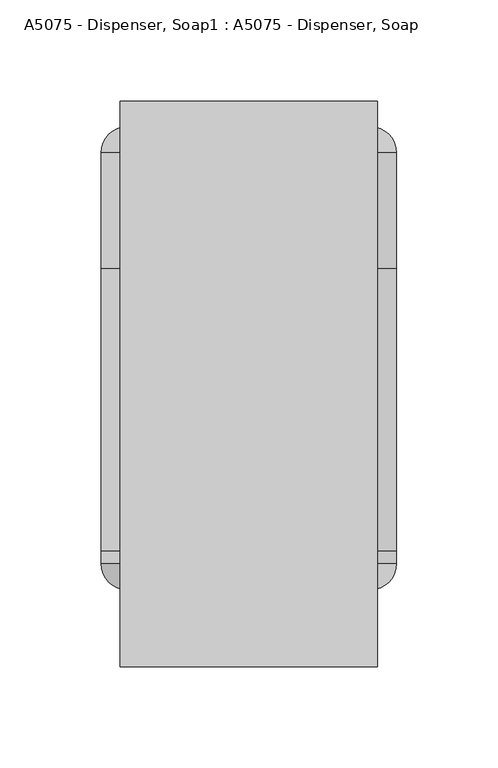
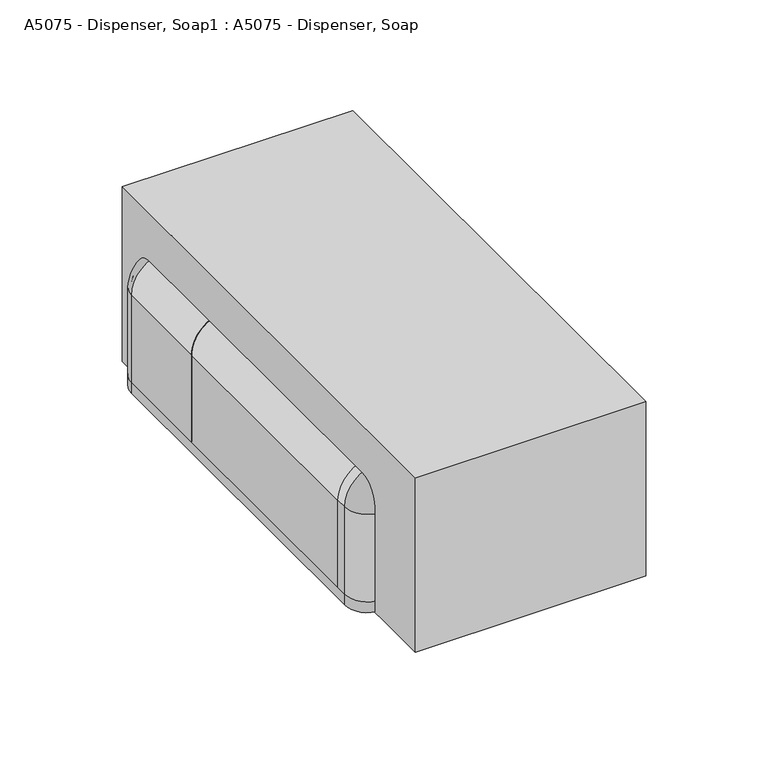
"""IFC4 building model written with IfcOpenShell, lengths in millimetres: proxy geometry, A5075 - Dispenser, Soap1 : A5075 - Dispenser, Soap."""

import ifcopenshell
import ifcopenshell.guid

model = None  # the IFC model being written
_history = None  # IfcOwnerHistory: only IFC2X3 demands one
_inside = {}  # id of a spatial element -> (the spatial element, [elements in it])
_under = {}  # id of a project, library or spatial element -> (it, [spatial elements below it])
_declared = {}  # id of a project -> (the project, [libraries it declares])
_typed = {}  # id of a type object -> (the type object, [elements of that type])
_made_of = {}  # id of a material, layer set ... -> (it, [elements and type objects made of it])


def new_model(schema):
    """Start an empty IFC model of exactly this schema.

    Asked for "IFC4X3", IfcOpenShell would pick the latest addendum, in which some entities
    have other attributes; the version numbers below select the first issue.
    IFC2X3 requires an IfcOwnerHistory on every rooted entity: one is made here for all.
    """
    global model, _history
    if schema == "IFC4X3":
        model = ifcopenshell.file(schema_version=(4, 3, 0, 0))
    else:
        model = ifcopenshell.file(schema=schema)
    _inside.clear()
    _under.clear()
    _declared.clear()
    _typed.clear()
    _made_of.clear()
    _history = None
    if model.schema == "IFC2X3":
        org = make("IfcOrganization", Name="unknown")
        user = make(
            "IfcPersonAndOrganization",
            ThePerson=make("IfcPerson", FamilyName="unknown"),
            TheOrganization=org,
        )
        app = make(
            "IfcApplication",
            ApplicationDeveloper=org,
            Version="unknown",
            ApplicationFullName="unknown",
            ApplicationIdentifier="unknown",
        )
        _history = make(
            "IfcOwnerHistory",
            OwningUser=user,
            OwningApplication=app,
            ChangeAction="ADDED",
            CreationDate=0,
        )
    return model


def make(cls, **values):
    """One entity of the class cls with the attributes given. An attribute that is None is left unset."""
    return model.create_entity(
        cls, **{name: value for name, value in values.items() if value is not None}
    )


def rooted(cls, **values):
    """An entity with a GlobalId (a new one), such as an element, a storey or a relation."""
    return make(cls, GlobalId=ifcopenshell.guid.new(), OwnerHistory=_history, **values)


def si_unit(unit_type, name, prefix=None):
    """IfcSIUnit, for example si_unit("LENGTHUNIT", "METRE", prefix="MILLI")."""
    return make("IfcSIUnit", UnitType=unit_type, Prefix=prefix, Name=name)


def assignment(units):
    """IfcUnitAssignment: the units of a project."""
    return None if units is None else make("IfcUnitAssignment", Units=units)


def point(xyz):
    """IfcCartesianPoint."""
    return None if xyz is None else make("IfcCartesianPoint", Coordinates=xyz)


def direction(xyz):
    """IfcDirection."""
    return None if xyz is None else make("IfcDirection", DirectionRatios=xyz)


def frame(location, z_axis=None, x_axis=None):
    """IfcAxis2Placement3D, a coordinate frame: its origin and axes. An axis left out is left unset."""
    return make(
        "IfcAxis2Placement3D",
        Location=point(location),
        Axis=direction(z_axis),
        RefDirection=direction(x_axis),
    )


def frame_2d(location, x_axis=None):
    """IfcAxis2Placement2D, a coordinate frame in the plane: its origin and x axis."""
    return make(
        "IfcAxis2Placement2D", Location=point(location), RefDirection=direction(x_axis)
    )


def origin():
    """The frame at (0, 0, 0) with its axes left unset."""
    return frame((0.0, 0.0, 0.0))


def origin_with_axes():
    """The frame at (0, 0, 0) with the z axis (0, 0, 1) and the x axis (1, 0, 0) written out."""
    return frame((0.0, 0.0, 0.0), z_axis=(0.0, 0.0, 1.0), x_axis=(1.0, 0.0, 0.0))


def place(relative_to, where):
    """IfcLocalPlacement: puts the frame where relative to a parent placement (None: the world)."""
    return make(
        "IfcLocalPlacement", PlacementRelTo=relative_to, RelativePlacement=where
    )


def context(
    kind, dimensions, precision=None, world=None, true_north=None, identifier=None
):
    """IfcGeometricRepresentationContext, for example the 3D "Model" context."""
    return make(
        "IfcGeometricRepresentationContext",
        ContextIdentifier=identifier,
        ContextType=kind,
        CoordinateSpaceDimension=dimensions,
        Precision=precision,
        WorldCoordinateSystem=world,
        TrueNorth=true_north,
    )


def project(units=None, contexts=None):
    """IfcProject with its units and contexts."""
    return rooted(
        "IfcProject",
        Name="project",
        RepresentationContexts=contexts,
        UnitsInContext=assignment(units),
    )


def spatial(cls, under=None, at=None, **own):
    """A site, building, storey or space (cls), placed at a placement, below another one or the project."""
    s = rooted(cls, ObjectPlacement=at, **own)
    if under is not None:
        _under.setdefault(under.id(), (under, []))[1].append(s)
    return s


def polyline(points):
    """IfcPolyline through the points."""
    return make("IfcPolyline", Points=[point(p) for p in points])


def circle_curve(where, radius):
    """IfcCircle in the frame where."""
    return make("IfcCircle", Position=where, Radius=radius)


def ellipse_curve(where, semi_axis1, semi_axis2):
    """IfcEllipse in the frame where."""
    return make(
        "IfcEllipse", Position=where, SemiAxis1=semi_axis1, SemiAxis2=semi_axis2
    )


def trimmed(basis, trim1, trim2, sense, master):
    """IfcTrimmedCurve: the piece of a basis curve between two trims."""
    return make(
        "IfcTrimmedCurve",
        BasisCurve=basis,
        Trim1=trim1,
        Trim2=trim2,
        SenseAgreement=sense,
        MasterRepresentation=master,
    )


def segment(curve, same_sense, transition):
    """IfcCompositeCurveSegment."""
    return make(
        "IfcCompositeCurveSegment",
        Transition=transition,
        SameSense=same_sense,
        ParentCurve=curve,
    )


def composite_curve(segments, self_intersect=None):
    """IfcCompositeCurve: segments joined end to end."""
    return make("IfcCompositeCurve", Segments=segments, SelfIntersect=self_intersect)


def outline(outer, holes=None, kind="AREA"):
    """IfcArbitraryClosedProfileDef: a profile drawn as a closed curve; with holes, ...WithVoids."""
    if holes is None:
        return make("IfcArbitraryClosedProfileDef", ProfileType=kind, OuterCurve=outer)
    return make(
        "IfcArbitraryProfileDefWithVoids",
        ProfileType=kind,
        OuterCurve=outer,
        InnerCurves=holes,
    )


def extrude(swept, where, along, depth):
    """IfcExtrudedAreaSolid: the profile swept, set in the frame where, extruded along a direction by depth."""
    return make(
        "IfcExtrudedAreaSolid",
        SweptArea=swept,
        Position=where,
        ExtrudedDirection=direction(along),
        Depth=depth,
    )


def shape(context_of_items, identifier, shape_type, items):
    """IfcShapeRepresentation: the items that make up one representation, for example the "Body"."""
    return make(
        "IfcShapeRepresentation",
        ContextOfItems=context_of_items,
        RepresentationIdentifier=identifier,
        RepresentationType=shape_type,
        Items=items,
    )


def source(mapping_origin, context_of_items, identifier, shape_type, items):
    """IfcRepresentationMap: a shape defined once, which mapped items show again and again."""
    return make(
        "IfcRepresentationMap",
        MappingOrigin=mapping_origin,
        MappedRepresentation=shape(context_of_items, identifier, shape_type, items),
    )


def transform(
    local_origin,
    x_axis=None,
    y_axis=None,
    z_axis=None,
    scale=None,
    scale2=None,
    scale3=None,
    uniform=True,
):
    """IfcCartesianTransformationOperator3D, or its non-uniform kind. x_axis, y_axis, z_axis: its Axis1, 2, 3."""
    if uniform:
        return make(
            "IfcCartesianTransformationOperator3D",
            Axis1=direction(x_axis),
            Axis2=direction(y_axis),
            LocalOrigin=point(local_origin),
            Scale=scale,
            Axis3=direction(z_axis),
        )
    return make(
        "IfcCartesianTransformationOperator3DnonUniform",
        Axis1=direction(x_axis),
        Axis2=direction(y_axis),
        LocalOrigin=point(local_origin),
        Scale=scale,
        Axis3=direction(z_axis),
        Scale2=scale2,
        Scale3=scale3,
    )


def mapped(mapping_source, mapping_target):
    """IfcMappedItem: shows the shape of a source again, moved by a transform."""
    return make(
        "IfcMappedItem", MappingSource=mapping_source, MappingTarget=mapping_target
    )


def made_of(thing, what):
    """Note that an element or type object is made of a material, layer set ...; save() writes the relation."""
    if what is not None:
        _made_of.setdefault(what.id(), (what, []))[1].append(thing)
    return thing


def element(
    cls,
    number,
    at=None,
    inside=None,
    cuts=None,
    type_object=None,
    material=None,
    context=None,
    identifier="Body",
    shape_type=None,
    held_by="IfcProductDefinitionShape",
    body=None,
    shapes=None,
    **own,
):
    """One element of the class cls, such as IfcWall. Its Tag is "e" and its number.

    at: its placement. inside: the storey or other place that contains it. cuts: it is an
    opening in that element (IfcRelVoidsElement). A single representation is given by context,
    identifier, shape_type and body (its items); several are given by shapes. held_by: the class
    of the entity that holds the representations. save() writes the other relations.
    """
    e = rooted(cls, Tag="e%d" % number, ObjectPlacement=at, **own)
    if body is not None:
        shapes = [shape(context, identifier, shape_type, body)]
    if shapes is not None:
        e.Representation = make(held_by, Representations=shapes)
    if inside is not None:
        _inside.setdefault(inside.id(), (inside, []))[1].append(e)
    if cuts is not None:
        rooted(
            "IfcRelVoidsElement", RelatingBuildingElement=cuts, RelatedOpeningElement=e
        )
    if type_object is not None:
        _typed.setdefault(type_object.id(), (type_object, []))[1].append(e)
    return made_of(e, material)


def aggregate(whole, parts):
    """IfcRelAggregates: a whole, such as a stair, and the parts it consists of."""
    return rooted("IfcRelAggregates", RelatingObject=whole, RelatedObjects=parts)


def save(model, path):
    """Write the relations noted so far, then the file.

    IfcRelAggregates (storeys below a building ...), IfcRelContainedInSpatialStructure (elements
    in a storey), IfcRelDefinesByType, IfcRelAssociatesMaterial and IfcRelDeclares: one each for
    every whole, place, type object, material and project.
    """
    for whole, parts in _under.values():
        aggregate(whole, parts)
    for where, things in _inside.values():
        rooted(
            "IfcRelContainedInSpatialStructure",
            RelatedElements=things,
            RelatingStructure=where,
        )
    for kind, things in _typed.values():
        rooted("IfcRelDefinesByType", RelatedObjects=things, RelatingType=kind)
    for what, things in _made_of.values():
        rooted("IfcRelAssociatesMaterial", RelatedObjects=things, RelatingMaterial=what)
    for by, libraries in _declared.values():
        rooted("IfcRelDeclares", RelatingContext=by, RelatedDefinitions=libraries)
    model.write(path)


def plane_surface(at):
    """IfcPlane: the flat surface through the origin of the frame at, square to its z axis."""
    return make("IfcPlane", Position=at)


def cylinder_surface(at, radius):
    """IfcCylindricalSurface: all points at the distance radius from the z axis of the frame at."""
    return make("IfcCylindricalSurface", Position=at, Radius=radius)


def revolved_surface(curve, axis_point, axis_direction):
    """IfcSurfaceOfRevolution: the curve turned about the line through axis_point along axis_direction."""
    return make(
        "IfcSurfaceOfRevolution",
        SweptCurve=make("IfcArbitraryOpenProfileDef", ProfileType="CURVE", Curve=curve),
        AxisPosition=make("IfcAxis1Placement", Location=point(axis_point), Axis=direction(axis_direction)),
    )


def advanced_brep(points, edges, surfaces, faces):
    """IfcAdvancedBrep: a solid bounded by faces that lie on surfaces and meet in shared edges.

    An edge is (start, end): straight between two places in points (the first is 0);
    or (start, end, curve); or (start, end, curve, False) where it runs against its curve.
    A face is (place in surfaces, loops), or (place, loops, False) where it looks against
    its surface's normal. A loop lists edges by number (the first is 1), with a minus sign
    where the edge is run from its end to its start. The first loop is the outer one.
    """
    corners = [point(p) for p in points]
    vertices = [make("IfcVertexPoint", VertexGeometry=c) for c in corners]
    made = []
    for start, end, *more in edges:
        made.append(
            make(
                "IfcEdgeCurve",
                EdgeStart=vertices[start],
                EdgeEnd=vertices[end],
                EdgeGeometry=more[0] if more else make("IfcPolyline", Points=[corners[start], corners[end]]),
                SameSense=more[1] if len(more) > 1 else True,
            )
        )
    hull = []
    for where, loops, *sense in faces:
        bounds = []
        for j, loop in enumerate(loops):
            ring = [make("IfcOrientedEdge", EdgeElement=made[abs(k) - 1], Orientation=k > 0) for k in loop]
            bounds.append(
                make(
                    "IfcFaceOuterBound" if j == 0 else "IfcFaceBound",
                    Bound=make("IfcEdgeLoop", EdgeList=ring),
                    Orientation=True,
                )
            )
        hull.append(make("IfcAdvancedFace", Bounds=bounds, FaceSurface=surfaces[where], SameSense=sense[0] if sense else True))
    return make("IfcAdvancedBrep", Outer=make("IfcClosedShell", CfsFaces=hull))


def a5075_dispenser_soap1_a5075_dispenser_soap_cc7686cf(model_context):
    return source(origin(), model_context, "Body", "SolidModel", [
        advanced_brep(
        [(-73.025, -25.4, 6.35), (-60.325, -12.7, 6.35), (-60.325, -14.2875, 6.35), (-71.4375, -25.4, 6.35), (-71.4375, -82.55, 6.35), (-73.025, -82.55, 6.35), (-73.025, -82.55, 57.15), (-73.025, -25.4, 57.15), (-71.4375, -82.55, 57.15), (-53.975, -82.55, 74.6125), (53.975, -82.55, 74.6125), (71.4375, -82.55, 57.15), (71.4375, -82.55, 6.35), (73.025, -82.55, 6.35), (73.025, -82.55, 57.15), (53.975, -82.55, 76.2), (-53.975, -82.55, 76.2), (-71.4375, -25.4, 57.15), (-60.325, -14.2875, 57.15), (-60.325, -12.7, 57.15), (-53.975, -25.4, 76.2), (-53.975, -25.4, 74.6125), (-53.975, -14.2875, 63.5), (-53.975, -12.7, 63.5), (53.975, -25.4, 76.2), (53.975, -25.4, 74.6125), (53.975, -14.2875, 63.5), (53.975, -12.7, 63.5), (73.025, -25.4, 57.15), (71.4375, -25.4, 57.15), (60.325, -14.2875, 57.15), (60.325, -12.7, 57.15), (73.025, -25.4, 6.35), (71.4375, -25.4, 6.35), (60.325, -14.2875, 6.35), (60.325, -12.7, 6.35)],
        [
            (0, 1, circle_curve(frame((-60.325, -25.4, 6.35), z_axis=(0.0, 0.0, -1.0), x_axis=(1.0, 0.0, 0.0)), 12.7)),
            (1, 2),
            (2, 3, circle_curve(frame((-60.325, -25.4, 6.35), z_axis=(0.0, 0.0, 1.0), x_axis=(1.0, 0.0, 0.0)), 11.1125)),
            (3, 4),
            (4, 5),
            (5, 0),
            (5, 6),
            (6, 7),
            (7, 0),
            (4, 8),
            (8, 9, circle_curve(frame((-53.975, -82.55, 57.15), z_axis=(0.0, 1.0, 0.0), x_axis=(-1.0, 0.0, 0.0)), 17.4625)),
            (9, 10),
            (10, 11, circle_curve(frame((53.975, -82.55, 57.15), z_axis=(0.0, 1.0, 0.0), x_axis=(0.0, 0.0, 1.0)), 17.4625)),
            (11, 12),
            (12, 13),
            (13, 14),
            (14, 15, circle_curve(frame((53.975, -82.55, 57.15), z_axis=(0.0, -1.0, 0.0), x_axis=(0.0, 0.0, 1.0)), 19.05)),
            (15, 16),
            (16, 6, circle_curve(frame((-53.975, -82.55, 57.15), z_axis=(0.0, -1.0, 0.0), x_axis=(-1.0, 0.0, 0.0)), 19.05)),
            (3, 17),
            (17, 8),
            (2, 18),
            (18, 17, circle_curve(frame((-60.325, -25.4, 57.15), z_axis=(0.0, 0.0, 1.0), x_axis=(1.0, 0.0, 0.0)), 11.1125)),
            (1, 19),
            (19, 18),
            (7, 19, circle_curve(frame((-60.325, -25.4, 57.15), z_axis=(0.0, 0.0, -1.0), x_axis=(1.0, 0.0, 0.0)), 12.7)),
            (16, 20),
            (20, 7, circle_curve(frame((-53.975, -25.4, 57.15), z_axis=(0.0, -1.0, 0.0), x_axis=(-1.0, 0.0, 0.0)), 19.05)),
            (21, 9),
            (17, 21, circle_curve(frame((-53.975, -25.4, 57.15), z_axis=(0.0, 1.0, 0.0), x_axis=(-1.0, 0.0, 0.0)), 17.4625)),
            (22, 21, circle_curve(frame((-53.975, -25.4, 63.5), z_axis=(1.0, 0.0, 0.0), x_axis=(0.0, 0.0, -1.0)), 11.1125)),
            (18, 22, circle_curve(frame((-53.975, -14.2875, 57.15), z_axis=(0.0, 1.0, 0.0), x_axis=(-1.0, 0.0, 0.0)), 6.35)),
            (23, 22),
            (19, 23, circle_curve(frame((-53.975, -12.7, 57.15), z_axis=(0.0, 1.0, 0.0), x_axis=(-1.0, 0.0, 0.0)), 6.35)),
            (20, 23, circle_curve(frame((-53.975, -25.4, 63.5), z_axis=(-1.0, 0.0, 0.0), x_axis=(0.0, 0.0, -1.0)), 12.7)),
            (15, 24),
            (24, 20),
            (21, 25),
            (25, 10),
            (22, 26),
            (26, 25, circle_curve(frame((53.975, -25.4, 63.5), z_axis=(1.0, 0.0, 0.0), x_axis=(0.0, 0.0, -1.0)), 11.1125)),
            (23, 27),
            (27, 26),
            (24, 27, circle_curve(frame((53.975, -25.4, 63.5), z_axis=(-1.0, 0.0, 0.0), x_axis=(0.0, 0.0, -1.0)), 12.7)),
            (14, 28),
            (28, 24, circle_curve(frame((53.975, -25.4, 57.15), z_axis=(0.0, -1.0, 0.0), x_axis=(0.0, 0.0, 1.0)), 19.05)),
            (29, 11),
            (25, 29, circle_curve(frame((53.975, -25.4, 57.15), z_axis=(0.0, 1.0, 0.0), x_axis=(0.0, 0.0, 1.0)), 17.4625)),
            (30, 29, circle_curve(frame((60.325, -25.4, 57.15), z_axis=(0.0, 0.0, -1.0), x_axis=(-1.0, 0.0, 0.0)), 11.1125)),
            (26, 30, circle_curve(frame((53.975, -14.2875, 57.15), z_axis=(0.0, 1.0, 0.0), x_axis=(0.0, 0.0, 1.0)), 6.35)),
            (31, 30),
            (27, 31, circle_curve(frame((53.975, -12.7, 57.15), z_axis=(0.0, 1.0, 0.0), x_axis=(0.0, 0.0, 1.0)), 6.35)),
            (28, 31, circle_curve(frame((60.325, -25.4, 57.15), z_axis=(0.0, 0.0, 1.0), x_axis=(-1.0, 0.0, 0.0)), 12.7)),
            (32, 13),
            (12, 33),
            (33, 34, circle_curve(frame((60.325, -25.4, 6.35), z_axis=(0.0, 0.0, 1.0), x_axis=(-1.0, 0.0, 0.0)), 11.1125)),
            (34, 35),
            (35, 32, circle_curve(frame((60.325, -25.4, 6.35), z_axis=(0.0, 0.0, -1.0), x_axis=(-1.0, 0.0, 0.0)), 12.7)),
            (32, 28),
            (29, 33),
            (30, 34),
            (31, 35),
        ],
        [
            plane_surface(frame((-73.025, -12.7, 6.35), z_axis=(0.0, 0.0, -1.0), x_axis=(0.0, -1.0, 0.0))),
            plane_surface(frame((-73.025, -25.4, 6.35), z_axis=(-1.0, 0.0, 0.0), x_axis=(0.0, 0.0, 1.0))),
            plane_surface(frame((-73.025, -82.55, 6.35), z_axis=(0.0, -1.0, 0.0), x_axis=(0.0, 0.0, 1.0))),
            plane_surface(frame((-71.4375, -82.55, 6.35), z_axis=(1.0, 0.0, 0.0), x_axis=(0.0, 0.0, 1.0))),
            revolved_surface(polyline([(-49.212500000000006, -25.4, 57.15), (-49.212500000000006, -25.4, 6.35)]), (-60.325, -25.4, 6.35), (0.0, 0.0, 1.0)),
            plane_surface(frame((-60.325, -14.2875, 6.35), z_axis=(1.0, 0.0, 0.0), x_axis=(0.0, 0.0, 1.0))),
            cylinder_surface(frame((-60.325, -25.4, 6.35), z_axis=(0.0, 0.0, -1.0), x_axis=(1.0, 0.0, 0.0)), 12.7),
            cylinder_surface(frame((-53.975, -12.7, 57.15), z_axis=(0.0, -1.0, 0.0), x_axis=(-1.0, 0.0, 0.0)), 19.05),
            revolved_surface(polyline([(-71.4375, -82.55, 57.15), (-71.4375, -25.4, 57.15)]), (-53.975, -12.7, 57.15), (0.0, -1.0, 0.0)),
            revolved_surface(trimmed(ellipse_curve(frame((-60.325, -25.4, 57.15), z_axis=(0.0, 0.0, -1.0), x_axis=(1.0, 0.0, 0.0)), 11.1125, 11.1125), [point((-71.4375, -25.4, 57.15))], [point((-60.325, -14.2875, 57.15))], True, "CARTESIAN"), (-53.975, -12.7, 57.15), (0.0, -1.0, 0.0)),
            revolved_surface(polyline([(-60.325, -14.2875, 57.15), (-60.325, -12.7, 57.15)]), (-53.975, -12.7, 57.15), (0.0, -1.0, 0.0)),
            revolved_surface(trimmed(ellipse_curve(frame((-60.325, -25.4, 57.15), z_axis=(0.0, 0.0, 1.0), x_axis=(1.0, 0.0, 0.0)), 12.7, 12.7), [point((-60.325, -12.7, 57.15))], [point((-73.025, -25.4, 57.15))], True, "CARTESIAN"), (-53.975, -12.7, 57.15), (0.0, -1.0, 0.0)),
            plane_surface(frame((-53.975, -25.4, 76.2), z_axis=(0.0, 0.0, 1.0), x_axis=(1.0, 0.0, 0.0))),
            plane_surface(frame((-53.975, -82.55, 74.6125), z_axis=(0.0, 0.0, -1.0), x_axis=(1.0, 0.0, 0.0))),
            revolved_surface(polyline([(53.975, -25.4, 52.3875), (-53.975, -25.4, 52.3875)]), (-53.975, -25.4, 63.5), (1.0, 0.0, 0.0)),
            plane_surface(frame((-53.975, -14.2875, 63.5), z_axis=(0.0, 0.0, -1.0), x_axis=(1.0, 0.0, 0.0))),
            cylinder_surface(frame((-53.975, -25.4, 63.5), z_axis=(-1.0, 0.0, 0.0), x_axis=(0.0, 0.0, -1.0)), 12.7),
            cylinder_surface(frame((53.975, -12.7, 57.15), z_axis=(0.0, -1.0, 0.0), x_axis=(0.0, 0.0, 1.0)), 19.05),
            revolved_surface(polyline([(53.975, -82.55, 74.6125), (53.975, -25.4, 74.6125)]), (53.975, -12.7, 57.15), (0.0, -1.0, 0.0)),
            revolved_surface(trimmed(ellipse_curve(frame((53.975, -25.4, 63.5), z_axis=(-1.0, 0.0, 0.0), x_axis=(0.0, 0.0, -1.0)), 11.1125, 11.1125), [point((53.975, -25.4, 74.6125))], [point((53.975, -14.2875, 63.5))], True, "CARTESIAN"), (53.975, -12.7, 57.15), (0.0, -1.0, 0.0)),
            revolved_surface(polyline([(53.975, -14.2875, 63.5), (53.975, -12.7, 63.5)]), (53.975, -12.7, 57.15), (0.0, -1.0, 0.0)),
            revolved_surface(trimmed(ellipse_curve(frame((53.975, -25.4, 63.5), z_axis=(1.0, 0.0, 0.0), x_axis=(0.0, 0.0, -1.0)), 12.7, 12.7), [point((53.975, -12.7, 63.5))], [point((53.975, -25.4, 76.2))], True, "CARTESIAN"), (53.975, -12.7, 57.15), (0.0, -1.0, 0.0)),
            plane_surface(frame((73.025, -12.7, 6.35), z_axis=(0.0, 0.0, -1.0), x_axis=(0.0, -1.0, 0.0))),
            plane_surface(frame((73.025, -25.4, 57.15), z_axis=(1.0, 0.0, 0.0), x_axis=(0.0, 0.0, -1.0))),
            plane_surface(frame((71.4375, -82.55, 57.15), z_axis=(-1.0, 0.0, 0.0), x_axis=(0.0, 0.0, -1.0))),
            revolved_surface(polyline([(49.212500000000006, -25.4, 6.350000000000001), (49.212500000000006, -25.4, 57.15)]), (60.325, -25.4, 57.15), (0.0, 0.0, -1.0)),
            plane_surface(frame((60.325, -14.2875, 57.15), z_axis=(-1.0, 0.0, 0.0), x_axis=(0.0, 0.0, -1.0))),
            cylinder_surface(frame((60.325, -25.4, 57.15), z_axis=(0.0, 0.0, 1.0), x_axis=(-1.0, 0.0, 0.0)), 12.7),
        ],
        [
            (0, [[1, 2, 3, 4, 5, 6]]),
            (1, [[7, 8, 9, -6]]),
            (2, [[10, 11, 12, 13, 14, 15, 16, 17, 18, 19, -7, -5]]),
            (3, [[20, 21, -10, -4]]),
            (4, [[22, 23, -20, -3]]),
            (5, [[24, 25, -22, -2]]),
            (6, [[-9, 26, -24, -1]]),
            (7, [[27, 28, -8, -19]]),
            (8, [[29, -11, -21, 30]]),
            (9, [[31, -30, -23, 32]]),
            (10, [[33, -32, -25, 34]]),
            (11, [[35, -34, -26, -28]]),
            (12, [[-18, 36, 37, -27]]),
            (13, [[38, 39, -12, -29]]),
            (14, [[40, 41, -38, -31]]),
            (15, [[42, 43, -40, -33]]),
            (16, [[-37, 44, -42, -35]]),
            (17, [[45, 46, -36, -17]]),
            (18, [[47, -13, -39, 48]]),
            (19, [[49, -48, -41, 50]]),
            (20, [[51, -50, -43, 52]]),
            (21, [[53, -52, -44, -46]]),
            (22, [[54, -15, 55, 56, 57, 58]]),
            (23, [[-16, -54, 59, -45]]),
            (24, [[60, -55, -14, -47]]),
            (25, [[61, -56, -60, -49]]),
            (26, [[62, -57, -61, -51]]),
            (27, [[-59, -58, -62, -53]]),
        ],
    ),
        advanced_brep(
        [(-73.025, -228.6, 6.35), (-73.025, -222.25, 6.35), (-71.4375, -222.25, 6.35), (-71.4375, -228.6, 6.35), (-60.325, -239.7125, 6.35), (-60.325, -241.3, 6.35), (-60.325, -241.3, 57.15), (-73.025, -228.6, 57.15), (-60.325, -239.7125, 57.15), (-71.4375, -228.6, 57.15), (-71.4375, -222.25, 57.15), (-73.025, -222.25, 57.15), (-53.975, -222.25, 76.2), (53.975, -222.25, 76.2), (73.025, -222.25, 57.15), (73.025, -222.25, 6.35), (71.4375, -222.25, 6.35), (71.4375, -222.25, 57.15), (53.975, -222.25, 74.6125), (-53.975, -222.25, 74.6125), (-53.975, -241.3, 63.5), (-53.975, -228.6, 76.2), (-53.975, -239.7125, 63.5), (-53.975, -228.6, 74.6125), (53.975, -241.3, 63.5), (53.975, -228.6, 76.2), (53.975, -239.7125, 63.5), (53.975, -228.6, 74.6125), (60.325, -241.3, 57.15), (73.025, -228.6, 57.15), (60.325, -239.7125, 57.15), (71.4375, -228.6, 57.15), (73.025, -228.6, 6.35), (60.325, -241.3, 6.35), (60.325, -239.7125, 6.35), (71.4375, -228.6, 6.35)],
        [
            (0, 1),
            (1, 2),
            (2, 3),
            (3, 4, circle_curve(frame((-60.325, -228.6, 6.35), z_axis=(0.0, 0.0, 1.0), x_axis=(1.0, 0.0, 0.0)), 11.1125)),
            (4, 5),
            (5, 0, circle_curve(frame((-60.325, -228.6, 6.35), z_axis=(0.0, 0.0, -1.0), x_axis=(1.0, 0.0, 0.0)), 12.7)),
            (5, 6),
            (6, 7, circle_curve(frame((-60.325, -228.6, 57.15), z_axis=(0.0, 0.0, -1.0), x_axis=(1.0, 0.0, 0.0)), 12.7)),
            (7, 0),
            (4, 8),
            (8, 6),
            (3, 9),
            (9, 8, circle_curve(frame((-60.325, -228.6, 57.15), z_axis=(0.0, 0.0, 1.0), x_axis=(1.0, 0.0, 0.0)), 11.1125)),
            (2, 10),
            (10, 9),
            (1, 11),
            (11, 12, circle_curve(frame((-53.975, -222.25, 57.15), z_axis=(0.0, 1.0, 0.0), x_axis=(-1.0, 0.0, 0.0)), 19.05)),
            (12, 13),
            (13, 14, circle_curve(frame((53.975, -222.25, 57.15), z_axis=(0.0, 1.0, 0.0), x_axis=(0.0, 0.0, 1.0)), 19.05)),
            (14, 15),
            (15, 16),
            (16, 17),
            (17, 18, circle_curve(frame((53.975, -222.25, 57.15), z_axis=(0.0, -1.0, 0.0), x_axis=(0.0, 0.0, 1.0)), 17.4625)),
            (18, 19),
            (19, 10, circle_curve(frame((-53.975, -222.25, 57.15), z_axis=(0.0, -1.0, 0.0), x_axis=(-1.0, 0.0, 0.0)), 17.4625)),
            (7, 11),
            (20, 21, circle_curve(frame((-53.975, -228.6, 63.5), z_axis=(-1.0, 0.0, 0.0), x_axis=(0.0, 0.0, -1.0)), 12.7)),
            (21, 7, circle_curve(frame((-53.975, -228.6, 57.15), z_axis=(0.0, -1.0, 0.0), x_axis=(-1.0, 0.0, 0.0)), 19.05)),
            (6, 20, circle_curve(frame((-53.975, -241.3, 57.15), z_axis=(0.0, 1.0, 0.0), x_axis=(-1.0, 0.0, 0.0)), 6.35)),
            (22, 20),
            (8, 22, circle_curve(frame((-53.975, -239.7125, 57.15), z_axis=(0.0, 1.0, 0.0), x_axis=(-1.0, 0.0, 0.0)), 6.35)),
            (23, 22, circle_curve(frame((-53.975, -228.6, 63.5), z_axis=(1.0, 0.0, 0.0), x_axis=(0.0, 0.0, -1.0)), 11.1125)),
            (9, 23, circle_curve(frame((-53.975, -228.6, 57.15), z_axis=(0.0, 1.0, 0.0), x_axis=(-1.0, 0.0, 0.0)), 17.4625)),
            (19, 23),
            (21, 12),
            (20, 24),
            (24, 25, circle_curve(frame((53.975, -228.6, 63.5), z_axis=(-1.0, 0.0, 0.0), x_axis=(0.0, 0.0, -1.0)), 12.7)),
            (25, 21),
            (22, 26),
            (26, 24),
            (23, 27),
            (27, 26, circle_curve(frame((53.975, -228.6, 63.5), z_axis=(1.0, 0.0, 0.0), x_axis=(0.0, 0.0, -1.0)), 11.1125)),
            (18, 27),
            (25, 13),
            (28, 29, circle_curve(frame((60.325, -228.6, 57.15), z_axis=(0.0, 0.0, 1.0), x_axis=(-1.0, 0.0, 0.0)), 12.7)),
            (29, 25, circle_curve(frame((53.975, -228.6, 57.15), z_axis=(0.0, -1.0, 0.0), x_axis=(0.0, 0.0, 1.0)), 19.05)),
            (24, 28, circle_curve(frame((53.975, -241.3, 57.15), z_axis=(0.0, 1.0, 0.0), x_axis=(0.0, 0.0, 1.0)), 6.35)),
            (30, 28),
            (26, 30, circle_curve(frame((53.975, -239.7125, 57.15), z_axis=(0.0, 1.0, 0.0), x_axis=(0.0, 0.0, 1.0)), 6.35)),
            (31, 30, circle_curve(frame((60.325, -228.6, 57.15), z_axis=(0.0, 0.0, -1.0), x_axis=(-1.0, 0.0, 0.0)), 11.1125)),
            (27, 31, circle_curve(frame((53.975, -228.6, 57.15), z_axis=(0.0, 1.0, 0.0), x_axis=(0.0, 0.0, 1.0)), 17.4625)),
            (17, 31),
            (29, 14),
            (32, 33, circle_curve(frame((60.325, -228.6, 6.35), z_axis=(0.0, 0.0, -1.0), x_axis=(-1.0, 0.0, 0.0)), 12.7)),
            (33, 34),
            (34, 35, circle_curve(frame((60.325, -228.6, 6.35), z_axis=(0.0, 0.0, 1.0), x_axis=(-1.0, 0.0, 0.0)), 11.1125)),
            (35, 16),
            (15, 32),
            (28, 33),
            (32, 29),
            (30, 34),
            (31, 35),
        ],
        [
            plane_surface(frame((-73.025, -241.3, 6.35), z_axis=(0.0, 0.0, -1.0), x_axis=(0.0, -1.0, 0.0))),
            cylinder_surface(frame((-60.325, -228.6, 6.35), z_axis=(0.0, 0.0, -1.0), x_axis=(1.0, 0.0, 0.0)), 12.7),
            plane_surface(frame((-60.325, -241.3, 6.35), z_axis=(1.0, 0.0, 0.0), x_axis=(0.0, 0.0, 1.0))),
            revolved_surface(polyline([(-49.212500000000006, -228.6, 57.15), (-49.212500000000006, -228.6, 6.35)]), (-60.325, -228.6, 6.35), (0.0, 0.0, 1.0)),
            plane_surface(frame((-71.4375, -228.6, 6.35), z_axis=(1.0, 0.0, 0.0), x_axis=(0.0, 0.0, 1.0))),
            plane_surface(frame((-71.4375, -222.25, 6.35), z_axis=(0.0, 1.0, 0.0), x_axis=(0.0, 0.0, 1.0))),
            plane_surface(frame((-73.025, -222.25, 6.35), z_axis=(-1.0, 0.0, 0.0), x_axis=(0.0, 0.0, 1.0))),
            revolved_surface(trimmed(ellipse_curve(frame((-60.325, -228.6, 57.15), z_axis=(0.0, 0.0, 1.0), x_axis=(1.0, 0.0, 0.0)), 12.7, 12.7), [point((-73.025, -228.6, 57.15))], [point((-60.325, -241.3, 57.15))], True, "CARTESIAN"), (-53.975, -241.3, 57.15), (0.0, -1.0, 0.0)),
            revolved_surface(polyline([(-60.325, -241.3, 57.15), (-60.325, -239.7125, 57.15)]), (-53.975, -241.3, 57.15), (0.0, -1.0, 0.0)),
            revolved_surface(trimmed(ellipse_curve(frame((-60.325, -228.6, 57.15), z_axis=(0.0, 0.0, -1.0), x_axis=(1.0, 0.0, 0.0)), 11.1125, 11.1125), [point((-60.325, -239.7125, 57.15))], [point((-71.4375, -228.6, 57.15))], True, "CARTESIAN"), (-53.975, -241.3, 57.15), (0.0, -1.0, 0.0)),
            revolved_surface(polyline([(-71.4375, -228.6, 57.15), (-71.4375, -222.25, 57.15)]), (-53.975, -241.3, 57.15), (0.0, -1.0, 0.0)),
            cylinder_surface(frame((-53.975, -241.3, 57.15), z_axis=(0.0, -1.0, 0.0), x_axis=(-1.0, 0.0, 0.0)), 19.05),
            cylinder_surface(frame((-53.975, -228.6, 63.5), z_axis=(-1.0, 0.0, 0.0), x_axis=(0.0, 0.0, -1.0)), 12.7),
            plane_surface(frame((-53.975, -241.3, 63.5), z_axis=(0.0, 0.0, -1.0), x_axis=(1.0, 0.0, 0.0))),
            revolved_surface(polyline([(53.975, -228.6, 52.3875), (-53.975, -228.6, 52.3875)]), (-53.975, -228.6, 63.5), (1.0, 0.0, 0.0)),
            plane_surface(frame((-53.975, -228.6, 74.6125), z_axis=(0.0, 0.0, -1.0), x_axis=(1.0, 0.0, 0.0))),
            plane_surface(frame((-53.975, -222.25, 76.2), z_axis=(0.0, 0.0, 1.0), x_axis=(1.0, 0.0, 0.0))),
            revolved_surface(trimmed(ellipse_curve(frame((53.975, -228.6, 63.5), z_axis=(1.0, 0.0, 0.0), x_axis=(0.0, 0.0, -1.0)), 12.7, 12.7), [point((53.975, -228.6, 76.2))], [point((53.975, -241.3, 63.5))], True, "CARTESIAN"), (53.975, -241.3, 57.15), (0.0, -1.0, 0.0)),
            revolved_surface(polyline([(53.975, -241.3, 63.5), (53.975, -239.7125, 63.5)]), (53.975, -241.3, 57.15), (0.0, -1.0, 0.0)),
            revolved_surface(trimmed(ellipse_curve(frame((53.975, -228.6, 63.5), z_axis=(-1.0, 0.0, 0.0), x_axis=(0.0, 0.0, -1.0)), 11.1125, 11.1125), [point((53.975, -239.7125, 63.5))], [point((53.975, -228.6, 74.6125))], True, "CARTESIAN"), (53.975, -241.3, 57.15), (0.0, -1.0, 0.0)),
            revolved_surface(polyline([(53.975, -228.6, 74.6125), (53.975, -222.25, 74.6125)]), (53.975, -241.3, 57.15), (0.0, -1.0, 0.0)),
            cylinder_surface(frame((53.975, -241.3, 57.15), z_axis=(0.0, -1.0, 0.0), x_axis=(0.0, 0.0, 1.0)), 19.05),
            plane_surface(frame((73.025, -241.3, 6.35), z_axis=(0.0, 0.0, -1.0), x_axis=(0.0, -1.0, 0.0))),
            cylinder_surface(frame((60.325, -228.6, 57.15), z_axis=(0.0, 0.0, 1.0), x_axis=(-1.0, 0.0, 0.0)), 12.7),
            plane_surface(frame((60.325, -241.3, 57.15), z_axis=(-1.0, 0.0, 0.0), x_axis=(0.0, 0.0, -1.0))),
            revolved_surface(polyline([(49.212500000000006, -228.6, 6.350000000000001), (49.212500000000006, -228.6, 57.15)]), (60.325, -228.6, 57.15), (0.0, 0.0, -1.0)),
            plane_surface(frame((71.4375, -228.6, 57.15), z_axis=(-1.0, 0.0, 0.0), x_axis=(0.0, 0.0, -1.0))),
            plane_surface(frame((73.025, -222.25, 57.15), z_axis=(1.0, 0.0, 0.0), x_axis=(0.0, 0.0, -1.0))),
        ],
        [
            (0, [[1, 2, 3, 4, 5, 6]]),
            (1, [[7, 8, 9, -6]]),
            (2, [[10, 11, -7, -5]]),
            (3, [[12, 13, -10, -4]]),
            (4, [[14, 15, -12, -3]]),
            (5, [[16, 17, 18, 19, 20, 21, 22, 23, 24, 25, -14, -2]]),
            (6, [[-9, 26, -16, -1]]),
            (7, [[27, 28, -8, 29]]),
            (8, [[30, -29, -11, 31]]),
            (9, [[32, -31, -13, 33]]),
            (10, [[34, -33, -15, -25]]),
            (11, [[35, -17, -26, -28]]),
            (12, [[36, 37, 38, -27]]),
            (13, [[39, 40, -36, -30]]),
            (14, [[41, 42, -39, -32]]),
            (15, [[-24, 43, -41, -34]]),
            (16, [[-38, 44, -18, -35]]),
            (17, [[45, 46, -37, 47]]),
            (18, [[48, -47, -40, 49]]),
            (19, [[50, -49, -42, 51]]),
            (20, [[52, -51, -43, -23]]),
            (21, [[53, -19, -44, -46]]),
            (22, [[54, 55, 56, 57, -21, 58]]),
            (23, [[59, -54, 60, -45]]),
            (24, [[61, -55, -59, -48]]),
            (25, [[62, -56, -61, -50]]),
            (26, [[-22, -57, -62, -52]]),
            (27, [[-60, -58, -20, -53]]),
        ],
    ),
        extrude(outline(composite_curve([segment(polyline([(57.15, -73.025), (6.35, -73.025), (6.35, -71.4375), (57.15, -71.4375)]), True, "CONTINUOUS"), segment(trimmed(circle_curve(frame_2d((57.15, -53.975)), 17.4625), [point((57.15, -71.4375))], [point((74.6125, -53.975))], True, "CARTESIAN"), True, "CONTINUOUS"), segment(polyline([(74.6125, -53.975), (74.6125, 53.975)]), True, "CONTINUOUS"), segment(trimmed(circle_curve(frame_2d((57.15, 53.975)), 17.4625), [point((74.6125, 53.975))], [point((57.15, 71.4375))], True, "CARTESIAN"), True, "CONTINUOUS"), segment(polyline([(57.15, 71.4375), (6.35, 71.4375), (6.35, 73.025), (57.15, 73.025)]), True, "CONTINUOUS"), segment(trimmed(circle_curve(frame_2d((57.15, 53.975)), 19.05), [point((57.15, 73.025))], [point((76.2, 53.975))], False, "CARTESIAN"), True, "CONTINUOUS"), segment(polyline([(76.2, 53.975), (76.2, -53.975)]), True, "CONTINUOUS"), segment(trimmed(circle_curve(frame_2d((57.15, -53.975)), 19.05), [point((76.2, -53.975))], [point((57.15, -73.025))], False, "CARTESIAN"), True, "CONTINUOUS")], self_intersect=False)), frame((0.0, -222.25, 0.0), z_axis=(0.0, 1.0, 0.0), x_axis=(0.0, 0.0, 1.0)), (0.0, 0.0, 1.0), 139.7),
        extrude(outline(composite_curve([segment(polyline([(74.6125, 53.975), (74.6125, -53.975)]), True, "CONTINUOUS"), segment(trimmed(circle_curve(frame_2d((57.15, -53.975)), 17.4625), [point((74.6125, -53.975))], [point((57.15, -71.4375))], False, "CARTESIAN"), True, "CONTINUOUS"), segment(polyline([(57.15, -71.4375), (6.35, -71.4375), (6.35, 71.4375), (57.15, 71.4375)]), True, "CONTINUOUS"), segment(trimmed(circle_curve(frame_2d((57.15, 53.975)), 17.4625), [point((57.15, 71.4375))], [point((74.6125, 53.975))], False, "CARTESIAN"), True, "CONTINUOUS")], self_intersect=False)), frame((0.0, -184.4030988, 0.0), z_axis=(0.0, 1.0, 0.0), x_axis=(0.0, 0.0, 1.0)), (0.0, 0.0, 1.0), 101.8530988),
        extrude(outline(composite_curve([segment(trimmed(circle_curve(frame_2d((47.625, 0.0)), 9.525), [point((47.625, -9.525))], [point((47.625, 9.525))], False, "CARTESIAN"), True, "CONTINUOUS"), segment(trimmed(circle_curve(frame_2d((47.625, 0.0)), 9.525), [point((47.625, 9.525))], [point((47.625, -9.525))], False, "CARTESIAN"), True, "CONTINUOUS")], self_intersect=False)), frame((0.0, -12.7, 0.0), z_axis=(0.0, 1.0, 0.0), x_axis=(0.0, 0.0, 1.0)), (0.0, 0.0, 1.0), 12.7),
        extrude(outline(composite_curve([segment(trimmed(circle_curve(frame_2d((-9.525, -41.275)), 9.525), [point((-9.525, -50.8))], [point((-9.525, -31.75))], False, "CARTESIAN"), True, "CONTINUOUS"), segment(polyline([(-9.525, -31.75), (9.525, -31.75)]), True, "CONTINUOUS"), segment(trimmed(circle_curve(frame_2d((9.525, -41.275)), 9.525), [point((9.525, -31.75))], [point((9.525, -50.8))], False, "CARTESIAN"), True, "CONTINUOUS"), segment(polyline([(9.525, -50.8), (-9.525, -50.8)]), True, "CONTINUOUS")], self_intersect=False)), frame((0.0, 0.0, 76.2), z_axis=(0.0, 0.0, 1.0), x_axis=(1.0, 0.0, 0.0)), (0.0, 0.0, 1.0), 12.7),
        extrude(outline(composite_curve([segment(polyline([(6.35, -60.325), (6.35, 60.325), (57.15, 60.325)]), True, "CONTINUOUS"), segment(trimmed(circle_curve(frame_2d((57.15, 53.975)), 6.35), [point((57.15, 60.325))], [point((63.5, 53.975))], False, "CARTESIAN"), True, "CONTINUOUS"), segment(polyline([(63.5, 53.975), (63.5, -53.975)]), True, "CONTINUOUS"), segment(trimmed(circle_curve(frame_2d((57.15, -53.975)), 6.35), [point((63.5, -53.975))], [point((57.15, -60.325))], False, "CARTESIAN"), True, "CONTINUOUS"), segment(polyline([(57.15, -60.325), (6.35, -60.325)]), True, "CONTINUOUS")], self_intersect=False)), frame((0.0, -14.2875, 0.0), z_axis=(0.0, 1.0, 0.0), x_axis=(0.0, 0.0, 1.0)), (0.0, 0.0, 1.0), 1.5875),
        extrude(outline(composite_curve([segment(trimmed(circle_curve(frame_2d((-60.325, -228.6)), 12.7), [point((-60.325, -241.3))], [point((-73.025, -228.6))], False, "CARTESIAN"), True, "CONTINUOUS"), segment(polyline([(-73.025, -228.6), (-73.025, -25.4)]), True, "CONTINUOUS"), segment(trimmed(circle_curve(frame_2d((-60.325, -25.4)), 12.7), [point((-73.025, -25.4))], [point((-60.325, -12.7))], False, "CARTESIAN"), True, "CONTINUOUS"), segment(polyline([(-60.325, -12.7), (60.325, -12.7)]), True, "CONTINUOUS"), segment(trimmed(circle_curve(frame_2d((60.325, -25.4)), 12.7), [point((60.325, -12.7))], [point((73.025, -25.4))], False, "CARTESIAN"), True, "CONTINUOUS"), segment(polyline([(73.025, -25.4), (73.025, -228.6)]), True, "CONTINUOUS"), segment(trimmed(circle_curve(frame_2d((60.325, -228.6)), 12.7), [point((73.025, -228.6))], [point((60.325, -241.3))], False, "CARTESIAN"), True, "CONTINUOUS"), segment(polyline([(60.325, -241.3), (-60.325, -241.3)]), True, "CONTINUOUS")], self_intersect=False)), origin_with_axes(), (0.0, 0.0, 1.0), 6.35),
        extrude(outline(polyline([(63.5, -279.4), (-63.5, -279.4), (-63.5, 0.0), (63.5, 0.0), (63.5, -279.4)])), origin_with_axes(), (0.0, 0.0, 1.0), 101.6),
        extrude(outline(composite_curve([segment(polyline([(6.35, -60.325), (6.35, 60.325), (57.15, 60.325)]), True, "CONTINUOUS"), segment(trimmed(circle_curve(frame_2d((57.15, 53.975)), 6.35), [point((57.15, 60.325))], [point((63.5, 53.975))], False, "CARTESIAN"), True, "CONTINUOUS"), segment(polyline([(63.5, 53.975), (63.5, -53.975)]), True, "CONTINUOUS"), segment(trimmed(circle_curve(frame_2d((57.15, -53.975)), 6.35), [point((63.5, -53.975))], [point((57.15, -60.325))], False, "CARTESIAN"), True, "CONTINUOUS"), segment(polyline([(57.15, -60.325), (6.35, -60.325)]), True, "CONTINUOUS")], self_intersect=False)), frame((0.0, -241.3, 0.0), z_axis=(0.0, 1.0, 0.0), x_axis=(0.0, 0.0, 1.0)), (0.0, 0.0, 1.0), 1.5875),
    ])


if __name__ == "__main__":
    model = new_model("IFC4")
    model_context = context("Model", 3, world=origin())
    ifc_project = project(units=[si_unit("LENGTHUNIT", "METRE", prefix="MILLI")], contexts=[model_context])
    site = spatial("IfcSite", under=ifc_project)
    building = spatial("IfcBuilding", under=site)
    placement = place(None, origin())
    a5075_dispenser_soap1_a5075_dispenser_soap_shape = a5075_dispenser_soap1_a5075_dispenser_soap_cc7686cf(model_context)
    element("IfcBuildingElementProxy", 1, Name="A5075 - Dispenser, Soap1 : A5075 - Dispenser, Soap", ObjectType="A5075 - Dispenser, Soap1 : A5075 - Dispenser, Soap", at=placement, inside=building, context=model_context, shape_type="MappedRepresentation", body=[
        mapped(a5075_dispenser_soap1_a5075_dispenser_soap_shape, transform((0.0, 0.0, 0.0), x_axis=(1.0, 0.0, 0.0), y_axis=(0.0, 1.0, 0.0), z_axis=(0.0, 0.0, 1.0))),
    ])
    save(model, "model.ifc")
